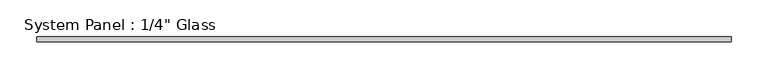
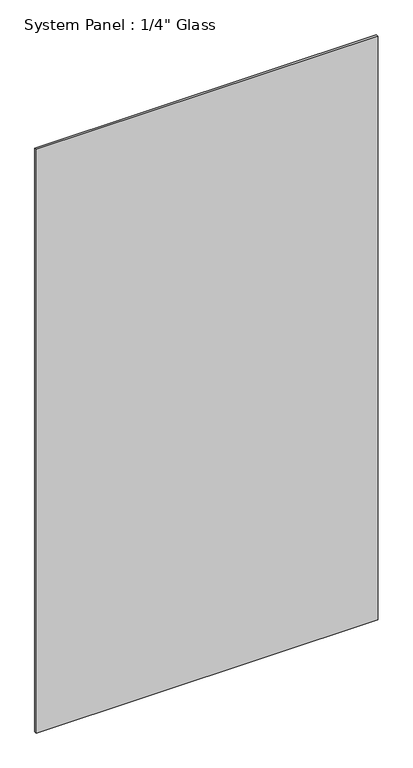
"""IFC4 building model written with IfcOpenShell, lengths in millimetres: plate geometry."""

from ifc_helpers import new_model, si_unit, origin, origin_with_axes, place, context, project, spatial, polyline, outline, extrude, source, transform, mapped, element, save


def plate_eca0b363(model_context):
    return source(origin(), model_context, "Body", "SweptSolid", [
        extrude(outline(polyline([(469.9, -3.175), (-469.9, -3.175), (-469.9, 3.175), (469.9, 3.175), (469.9, -3.175)])), origin_with_axes(), (0.0, 0.0, 1.0), 1695.45),
    ])


if __name__ == "__main__":
    model = new_model("IFC4")
    model_context = context("Model", 3, world=origin())
    ifc_project = project(units=[si_unit("LENGTHUNIT", "METRE", prefix="MILLI")], contexts=[model_context])
    site = spatial("IfcSite", under=ifc_project)
    building = spatial("IfcBuilding", under=site)
    placement = place(None, origin())
    plate_shape = plate_eca0b363(model_context)
    element("IfcPlate", 1, ObjectType="System Panel : 1/4\" Glass", at=placement, inside=building, context=model_context, shape_type="MappedRepresentation", body=[
        mapped(plate_shape, transform((0.0, 0.0, 0.0), x_axis=(1.0, 0.0, 0.0), y_axis=(0.0, 1.0, 0.0), z_axis=(0.0, 0.0, 1.0))),
    ])
    save(model, "model.ifc")
